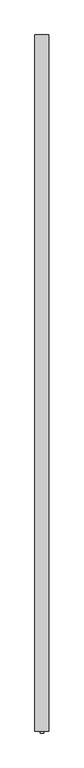
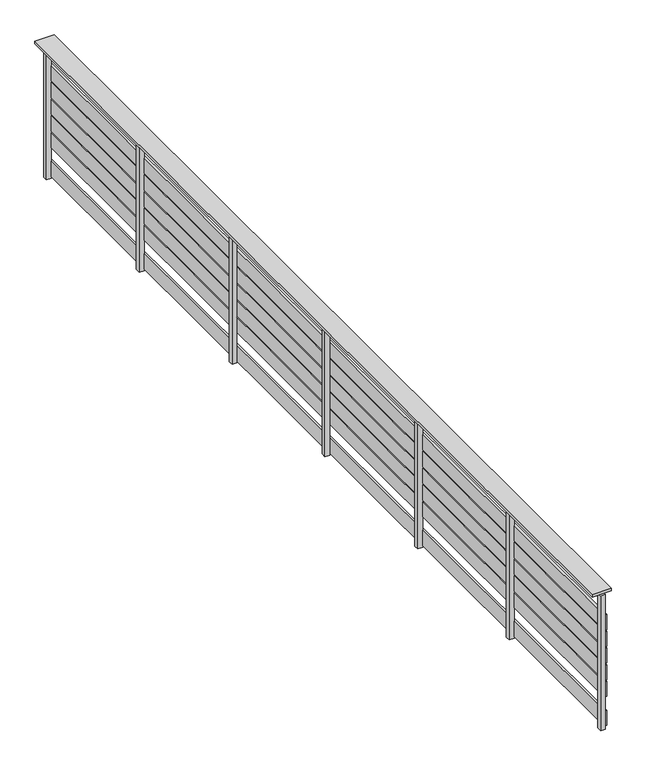
"""IFC4 building model written with IfcOpenShell, lengths in millimetres: railing geometry."""

from ifc_helpers import new_model, si_unit, frame, origin, origin_with_axes, place, context, project, spatial, polyline, outline, extrude, source, transform, mapped, element, save


def railing_2586c21d(model_context):
    return source(origin(), model_context, "Body", "SweptSolid", [
        extrude(outline(polyline([(-13329.3378421, -25768.5136765), (-13449.3378421, -25768.5136765), (-13449.3378421, -19768.5136765), (-13329.3378421, -19768.5136765), (-13329.3378421, -25768.5136765)])), frame((0.0, 0.0, 884.8828423), z_axis=(0.0, 0.0, 1.0), x_axis=(1.0, 0.0, 0.0)), (0.0, 0.0, 1.0), 15.1171577),
        extrude(outline(polyline([(-13358.8378421, -25768.5136765), (-13373.8378421, -25768.5136765), (-13373.8378421, -19768.5136765), (-13358.8378421, -19768.5136765), (-13358.8378421, -25768.5136765)])), frame((0.0, 0.0, 640.0), z_axis=(0.0, 0.0, 1.0), x_axis=(1.0, 0.0, 0.0)), (0.0, 0.0, 1.0), 100.0),
        extrude(outline(polyline([(-13358.8378421, -25768.5136765), (-13373.8378421, -25768.5136765), (-13373.8378421, -19768.5136765), (-13358.8378421, -19768.5136765), (-13358.8378421, -25768.5136765)])), frame((0.0, 0.0, 530.0), z_axis=(0.0, 0.0, 1.0), x_axis=(1.0, 0.0, 0.0)), (0.0, 0.0, 1.0), 100.0),
        extrude(outline(polyline([(-13358.8378421, -25768.5136765), (-13373.8378421, -25768.5136765), (-13373.8378421, -19768.5136765), (-13358.8378421, -19768.5136765), (-13358.8378421, -25768.5136765)])), frame((0.0, 0.0, 420.0), z_axis=(0.0, 0.0, 1.0), x_axis=(1.0, 0.0, 0.0)), (0.0, 0.0, 1.0), 100.0),
        extrude(outline(polyline([(-13358.8378421, -25768.5136765), (-13373.8378421, -25768.5136765), (-13373.8378421, -19768.5136765), (-13358.8378421, -19768.5136765), (-13358.8378421, -25768.5136765)])), frame((0.0, 0.0, 310.0), z_axis=(0.0, 0.0, 1.0), x_axis=(1.0, 0.0, 0.0)), (0.0, 0.0, 1.0), 100.0),
        extrude(outline(polyline([(-13358.8378421, -25768.5136765), (-13373.8378421, -25768.5136765), (-13373.8378421, -19768.5136765), (-13358.8378421, -19768.5136765), (-13358.8378421, -25768.5136765)])), frame((0.0, 0.0, 200.0), z_axis=(0.0, 0.0, 1.0), x_axis=(1.0, 0.0, 0.0)), (0.0, 0.0, 1.0), 100.0),
        extrude(outline(polyline([(-13358.8378421, -25768.5136765), (-13373.8378421, -25768.5136765), (-13373.8378421, -19768.5136765), (-13358.8378421, -19768.5136765), (-13358.8378421, -25768.5136765)])), frame((0.0, 0.0, 10.0), z_axis=(0.0, 0.0, 1.0), x_axis=(1.0, 0.0, 0.0)), (0.0, 0.0, 1.0), 100.0),
        extrude(outline(polyline([(-13374.3378421, -19813.5136765), (-13404.3378421, -19813.5136765), (-13404.3378421, -19783.5136765), (-13374.3378421, -19783.5136765), (-13374.3378421, -19813.5136765)])), origin_with_axes(), (0.0, 0.0, 1.0), 884.8828423),
        extrude(outline(polyline([(-13374.3378421, -20813.5136765), (-13404.3378421, -20813.5136765), (-13404.3378421, -20783.5136765), (-13374.3378421, -20783.5136765), (-13374.3378421, -20813.5136765)])), origin_with_axes(), (0.0, 0.0, 1.0), 884.8828423),
        extrude(outline(polyline([(-13374.3378421, -21813.5136765), (-13404.3378421, -21813.5136765), (-13404.3378421, -21783.5136765), (-13374.3378421, -21783.5136765), (-13374.3378421, -21813.5136765)])), origin_with_axes(), (0.0, 0.0, 1.0), 884.8828423),
        extrude(outline(polyline([(-13374.3378421, -22813.5136765), (-13404.3378421, -22813.5136765), (-13404.3378421, -22783.5136765), (-13374.3378421, -22783.5136765), (-13374.3378421, -22813.5136765)])), origin_with_axes(), (0.0, 0.0, 1.0), 884.8828423),
        extrude(outline(polyline([(-13374.3378421, -23813.5136765), (-13404.3378421, -23813.5136765), (-13404.3378421, -23783.5136765), (-13374.3378421, -23783.5136765), (-13374.3378421, -23813.5136765)])), origin_with_axes(), (0.0, 0.0, 1.0), 884.8828423),
        extrude(outline(polyline([(-13374.3378421, -24798.5136765), (-13404.3378421, -24798.5136765), (-13404.3378421, -24768.5136765), (-13374.3378421, -24768.5136765), (-13374.3378421, -24798.5136765)])), origin_with_axes(), (0.0, 0.0, 1.0), 884.8828423),
        extrude(outline(polyline([(-13374.3378421, -25783.5136765), (-13404.3378421, -25783.5136765), (-13404.3378421, -25753.5136765), (-13374.3378421, -25753.5136765), (-13374.3378421, -25783.5136765)])), origin_with_axes(), (0.0, 0.0, 1.0), 884.8828423),
    ])


if __name__ == "__main__":
    model = new_model("IFC4")
    model_context = context("Model", 3, world=origin())
    ifc_project = project(units=[si_unit("LENGTHUNIT", "METRE", prefix="MILLI")], contexts=[model_context])
    site = spatial("IfcSite", under=ifc_project)
    building = spatial("IfcBuilding", under=site)
    placement = place(None, origin())
    railing_shape = railing_2586c21d(model_context)
    element("IfcRailing", 1, at=placement, inside=building, context=model_context, shape_type="MappedRepresentation", body=[
        mapped(railing_shape, transform((0.0, 0.0, 0.0), x_axis=(1.0, 0.0, 0.0), y_axis=(0.0, 1.0, 0.0), z_axis=(0.0, 0.0, 1.0))),
    ])
    save(model, "model.ifc")
